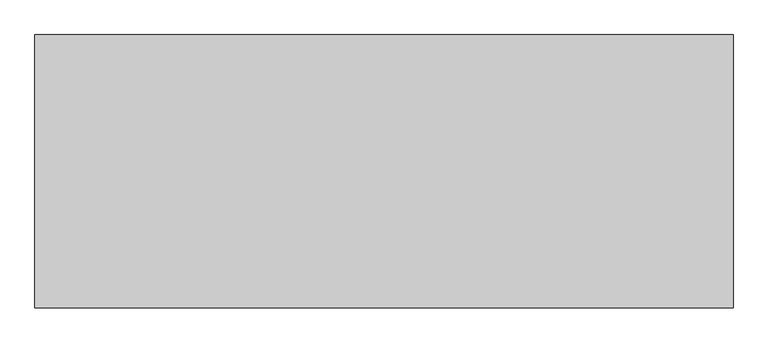
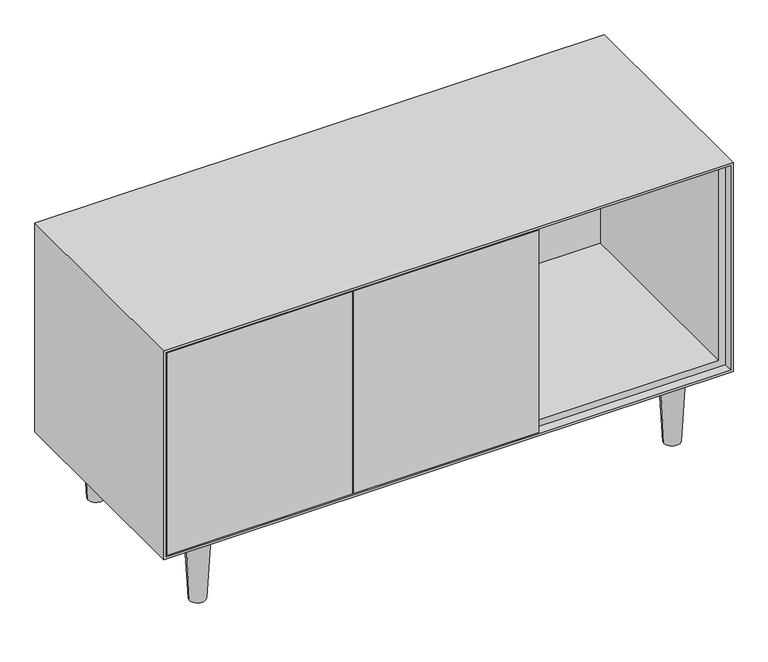
"""IFC4 building model written with IfcOpenShell, lengths in millimetres: furniture geometry."""

from ifc_helpers import new_model, si_unit, frame, origin, place, context, project, spatial, polyline, circle_curve, outline, extrude, source, transform, mapped, element, save
from ifc_brep_helpers import plane_surface, revolved_surface, advanced_brep


def furniture_9a5f6f23(model_context):
    return source(origin(), model_context, "Body", "SolidModel", [
        advanced_brep(
        [(1125.0000092, -420.0000181, 150.0), (1075.0000092, -420.0000181, 150.0), (1117.0000092, -420.0000181, 0.0), (1083.0000092, -420.0000181, 0.0)],
        [
            (0, 1, circle_curve(frame((1100.0000092, -420.0000181, 150.0), z_axis=(0.0, 0.0, 1.0), x_axis=(1.0, 0.0, 0.0)), 25.0)),
            (1, 0, circle_curve(frame((1100.0000092, -420.0000181, 150.0), z_axis=(0.0, 0.0, 1.0), x_axis=(-1.0, 0.0, 0.0)), 25.0)),
            (2, 3, circle_curve(frame((1100.0000092, -420.0000181, 0.0), z_axis=(0.0, 0.0, -1.0), x_axis=(-1.0, 0.0, 0.0)), 17.0)),
            (3, 2, circle_curve(frame((1100.0000092, -420.0000181, 0.0), z_axis=(0.0, 0.0, -1.0), x_axis=(1.0, 0.0, 0.0)), 17.0)),
            (2, 0),
            (1, 3),
        ],
        [
            plane_surface(frame((1100.0000092, -420.0000181, 150.0), z_axis=(0.0, 0.0, 1.0), x_axis=(0.0, 1.0, 0.0))),
            plane_surface(frame((1100.0000092, -420.0000181, 0.0), z_axis=(0.0, 0.0, -1.0), x_axis=(0.0, 1.0, 0.0))),
            revolved_surface(polyline([(1117.0000092, -420.0000181, 0.0), (1125.0000092, -420.0000181, 150.0)]), (1100.0000092, -420.0000181, -318.75), (0.0, 0.0, 1.0)),
            revolved_surface(polyline([(1083.0000092, -420.0000181, 0.0), (1075.0000092, -420.0000181, 150.0)]), (1100.0000092, -420.0000181, -318.75), (0.0, 0.0, 1.0)),
        ],
        [
            (0, [[1, 2]]),
            (1, [[3, 4]]),
            (2, [[-3, 5, -2, 6]]),
            (3, [[-4, -6, -1, -5]]),
        ],
    ),
        advanced_brep(
        [(1125.0000092, -50.0000181, 150.0), (1075.0000092, -50.0000181, 150.0), (1117.0000092, -50.0000181, 0.0), (1083.0000092, -50.0000181, 0.0)],
        [
            (0, 1, circle_curve(frame((1100.0000092, -50.0000181, 150.0), z_axis=(0.0, 0.0, 1.0), x_axis=(1.0, 0.0, 0.0)), 25.0)),
            (1, 0, circle_curve(frame((1100.0000092, -50.0000181, 150.0), z_axis=(0.0, 0.0, 1.0), x_axis=(-1.0, 0.0, 0.0)), 25.0)),
            (2, 3, circle_curve(frame((1100.0000092, -50.0000181, 0.0), z_axis=(0.0, 0.0, -1.0), x_axis=(-1.0, 0.0, 0.0)), 17.0)),
            (3, 2, circle_curve(frame((1100.0000092, -50.0000181, 0.0), z_axis=(0.0, 0.0, -1.0), x_axis=(1.0, 0.0, 0.0)), 17.0)),
            (2, 0),
            (1, 3),
        ],
        [
            plane_surface(frame((1100.0000092, -50.0000181, 150.0), z_axis=(0.0, 0.0, 1.0), x_axis=(0.0, 1.0, 0.0))),
            plane_surface(frame((1100.0000092, -50.0000181, 0.0), z_axis=(0.0, 0.0, -1.0), x_axis=(0.0, 1.0, 0.0))),
            revolved_surface(polyline([(1117.0000092, -50.0000181, 0.0), (1125.0000092, -50.0000181, 150.0)]), (1100.0000092, -50.0000181, -318.75), (0.0, 0.0, 1.0)),
            revolved_surface(polyline([(1083.0000092, -50.0000181, 0.0), (1075.0000092, -50.0000181, 150.0)]), (1100.0000092, -50.0000181, -318.75), (0.0, 0.0, 1.0)),
        ],
        [
            (0, [[1, 2]]),
            (1, [[3, 4]]),
            (2, [[-3, 5, -2, 6]]),
            (3, [[-4, -6, -1, -5]]),
        ],
    ),
        advanced_brep(
        [(75.0, -420.0000181, 150.0), (125.0, -420.0000181, 150.0), (83.0, -420.0000181, 0.0), (117.0, -420.0000181, 0.0)],
        [
            (0, 1, circle_curve(frame((100.0, -420.0000181, 150.0), z_axis=(0.0, 0.0, 1.0), x_axis=(-1.0, 0.0, 0.0)), 25.0)),
            (1, 0, circle_curve(frame((100.0, -420.0000181, 150.0), z_axis=(0.0, 0.0, 1.0), x_axis=(1.0, 0.0, 0.0)), 25.0)),
            (2, 3, circle_curve(frame((100.0, -420.0000181, 0.0), z_axis=(0.0, 0.0, -1.0), x_axis=(1.0, 0.0, 0.0)), 17.0)),
            (3, 2, circle_curve(frame((100.0, -420.0000181, 0.0), z_axis=(0.0, 0.0, -1.0), x_axis=(-1.0, 0.0, 0.0)), 17.0)),
            (3, 1),
            (0, 2),
        ],
        [
            plane_surface(frame((100.0, -420.0000181, 150.0), z_axis=(0.0, 0.0, 1.0), x_axis=(0.0, -1.0, 0.0))),
            plane_surface(frame((100.0, -420.0000181, 0.0), z_axis=(0.0, 0.0, -1.0), x_axis=(0.0, -1.0, 0.0))),
            revolved_surface(polyline([(117.0, -420.0000181, 0.0), (125.0, -420.0000181, 150.0)]), (100.0, -420.0000181, -318.75), (0.0, 0.0, 1.0)),
            revolved_surface(polyline([(83.0, -420.0000181, 0.0), (75.0, -420.0000181, 150.0)]), (100.0, -420.0000181, -318.75), (0.0, 0.0, 1.0)),
        ],
        [
            (0, [[1, 2]]),
            (1, [[3, 4]]),
            (2, [[-4, 5, -1, 6]]),
            (3, [[-3, -6, -2, -5]]),
        ],
    ),
        advanced_brep(
        [(75.0, -50.0000181, 150.0), (125.0, -50.0000181, 150.0), (83.0, -50.0000181, 0.0), (117.0, -50.0000181, 0.0)],
        [
            (0, 1, circle_curve(frame((100.0, -50.0000181, 150.0), z_axis=(0.0, 0.0, 1.0), x_axis=(-1.0, 0.0, 0.0)), 25.0)),
            (1, 0, circle_curve(frame((100.0, -50.0000181, 150.0), z_axis=(0.0, 0.0, 1.0), x_axis=(1.0, 0.0, 0.0)), 25.0)),
            (2, 3, circle_curve(frame((100.0, -50.0000181, 0.0), z_axis=(0.0, 0.0, -1.0), x_axis=(1.0, 0.0, 0.0)), 17.0)),
            (3, 2, circle_curve(frame((100.0, -50.0000181, 0.0), z_axis=(0.0, 0.0, -1.0), x_axis=(-1.0, 0.0, 0.0)), 17.0)),
            (3, 1),
            (0, 2),
        ],
        [
            plane_surface(frame((100.0, -50.0000181, 150.0), z_axis=(0.0, 0.0, 1.0), x_axis=(0.0, -1.0, 0.0))),
            plane_surface(frame((100.0, -50.0000181, 0.0), z_axis=(0.0, 0.0, -1.0), x_axis=(0.0, -1.0, 0.0))),
            revolved_surface(polyline([(117.0, -50.0000181, 0.0), (125.0, -50.0000181, 150.0)]), (100.0, -50.0000181, -318.75), (0.0, 0.0, 1.0)),
            revolved_surface(polyline([(83.0, -50.0000181, 0.0), (75.0, -50.0000181, 150.0)]), (100.0, -50.0000181, -318.75), (0.0, 0.0, 1.0)),
        ],
        [
            (0, [[1, 2]]),
            (1, [[3, 4]]),
            (2, [[-4, 5, -1, 6]]),
            (3, [[-3, -6, -2, -5]]),
        ],
    ),
        extrude(outline(polyline([(790.5, -451.0000181), (785.5, -451.0000181), (785.5, -20.0), (790.5, -20.0), (790.5, -451.0000181)])), frame((0.0, 0.0, 170.0), z_axis=(0.0, 0.0, 1.0), x_axis=(1.0, 0.0, 0.0)), (0.0, 0.0, 1.0), 424.9999963),
        extrude(outline(polyline([(397.5, -470.0000181), (7.5, -470.0000181), (7.5, -451.0000181), (397.5, -451.0000181), (397.5, -470.0000181)])), frame((0.0, 0.0, 157.5), z_axis=(0.0, 0.0, 1.0), x_axis=(1.0, 0.0, 0.0)), (0.0, 0.0, 1.0), 450.7322293),
        extrude(outline(polyline([(790.5, -470.0000181), (400.5, -470.0000181), (400.5, -451.0000181), (790.5, -451.0000181), (790.5, -470.0000181)])), frame((0.0, 0.0, 157.5), z_axis=(0.0, 0.0, 1.0), x_axis=(1.0, 0.0, 0.0)), (0.0, 0.0, 1.0), 450.7322293),
        extrude(outline(polyline([(1180.0000092, -20.0), (20.0, -20.0), (20.0, -5.0), (1180.0000092, -5.0), (1180.0000092, -20.0)])), frame((0.0, 0.0, 170.0), z_axis=(0.0, 0.0, 1.0), x_axis=(1.0, 0.0, 0.0)), (0.0, 0.0, 1.0), 424.9999963),
        extrude(outline(polyline([(1195.0000092, -5.0), (5.0, -5.0), (5.0, 0.0), (1195.0000092, 0.0), (1195.0000092, -5.0)])), frame((0.0, 0.0, 155.0), z_axis=(0.0, 0.0, 1.0), x_axis=(1.0, 0.0, 0.0)), (0.0, 0.0, 1.0), 454.9999963),
        extrude(outline(polyline([(609.9999963, 1195.0000092), (609.9999963, 5.0), (155.0, 5.0), (155.0, 1195.0000092), (609.9999963, 1195.0000092)]), holes=[polyline([(170.0, 20.0), (594.9999963, 20.0), (594.9999963, 1180.0000092), (170.0, 1180.0000092), (170.0, 20.0)])]), frame((0.0, -451.0000181, 0.0), z_axis=(0.0, 1.0, 0.0), x_axis=(0.0, 0.0, 1.0)), (0.0, 0.0, 1.0), 446.0000181),
        extrude(outline(polyline([(614.9999963, 1200.0000092), (614.9999963, 0.0), (150.0, 0.0), (150.0, 1200.0000092), (614.9999963, 1200.0000092)]), holes=[polyline([(609.9999963, 1195.0000092), (155.0, 1195.0000092), (155.0, 5.0), (609.9999963, 5.0), (609.9999963, 1195.0000092)])]), frame((0.0, -470.0000181, 0.0), z_axis=(0.0, 1.0, 0.0), x_axis=(0.0, 0.0, 1.0)), (0.0, 0.0, 1.0), 470.0000181),
    ])


if __name__ == "__main__":
    model = new_model("IFC4")
    model_context = context("Model", 3, world=origin())
    ifc_project = project(units=[si_unit("LENGTHUNIT", "METRE", prefix="MILLI")], contexts=[model_context])
    site = spatial("IfcSite", under=ifc_project)
    building = spatial("IfcBuilding", under=site)
    placement = place(None, origin())
    furniture_shape = furniture_9a5f6f23(model_context)
    element("IfcFurniture", 1, at=placement, inside=building, context=model_context, shape_type="MappedRepresentation", body=[
        mapped(furniture_shape, transform((0.0, 0.0, 0.0), x_axis=(1.0, 0.0, 0.0), y_axis=(0.0, 1.0, 0.0), z_axis=(0.0, 0.0, 1.0))),
    ])
    save(model, "model.ifc")
